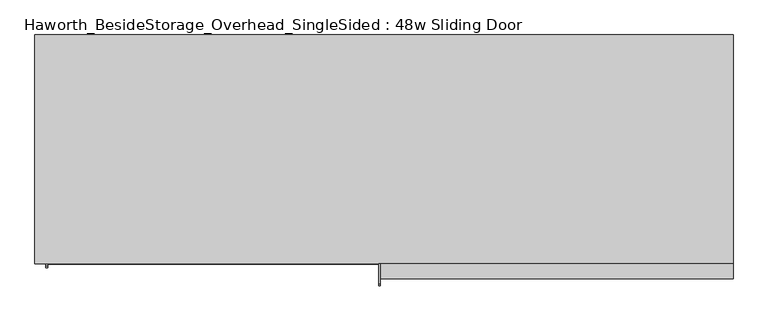
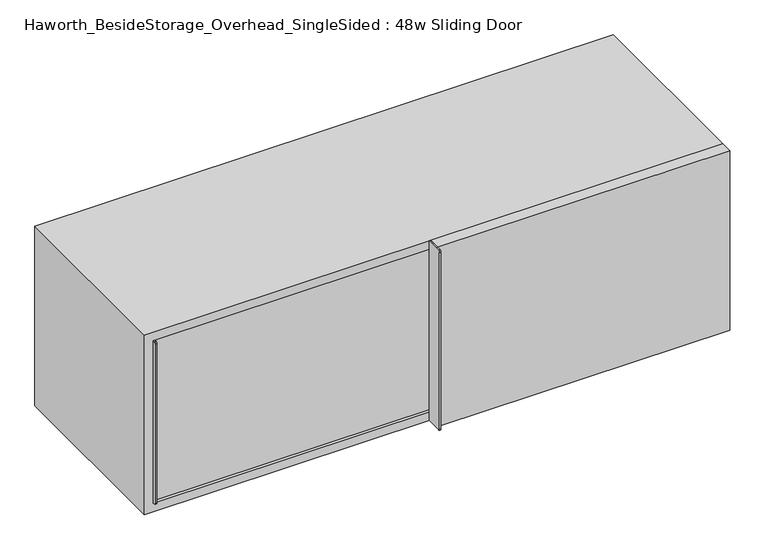
"""IFC4 building model written with IfcOpenShell, lengths in millimetres: furniture geometry, Haworth_BesideStorage_Overhead_SingleSided : 48w Sliding Door."""

from ifc_helpers import new_model, si_unit, point, frame, frame_2d, origin, place, context, project, spatial, polyline, circle_curve, trimmed, segment, composite_curve, outline, extrude, source, transform, mapped, element, save


def haworth_besidestorage_overhead_singlesided_48w_sliding_door_fb35720d(model_context):
    return source(origin(), model_context, "Body", "SweptSolid", [
        extrude(outline(composite_curve([segment(polyline([(-400.05, 1162.05), (-400.05, 762.0), (-434.975, 762.0)]), True, "CONTINUOUS"), segment(trimmed(circle_curve(frame_2d((-434.975, 765.175)), 3.175), [point((-434.975, 762.0))], [point((-438.15, 765.175))], False, "CARTESIAN"), True, "CONTINUOUS"), segment(polyline([(-438.15, 765.175), (-438.15, 1158.875)]), True, "CONTINUOUS"), segment(trimmed(circle_curve(frame_2d((-434.975, 1158.875)), 3.175), [point((-438.15, 1158.875))], [point((-434.975, 1162.05))], False, "CARTESIAN"), True, "CONTINUOUS"), segment(polyline([(-434.975, 1162.05), (-400.05, 1162.05)]), True, "CONTINUOUS")], self_intersect=False)), frame((155.575, 0.0, 0.0), z_axis=(1.0, 0.0, 0.0), x_axis=(0.0, 1.0, 0.0)), (0.0, 0.0, 1.0), 3.175),
        extrude(outline(polyline([(774.7, -400.05), (774.7, -425.45), (158.75, -425.45), (158.75, -400.05), (774.7, -400.05)])), frame((0.0, 0.0, 762.0), z_axis=(0.0, 0.0, 1.0), x_axis=(1.0, 0.0, 0.0)), (0.0, 0.0, 1.0), 400.05),
        extrude(outline(composite_curve([segment(polyline([(-368.3, 1143.0), (-368.3, 781.05), (-403.225, 781.05)]), True, "CONTINUOUS"), segment(trimmed(circle_curve(frame_2d((-403.225, 784.225)), 3.175), [point((-403.225, 781.05))], [point((-406.4, 784.225))], False, "CARTESIAN"), True, "CONTINUOUS"), segment(polyline([(-406.4, 784.225), (-406.4, 1139.825)]), True, "CONTINUOUS"), segment(trimmed(circle_curve(frame_2d((-403.225, 1139.825)), 3.175), [point((-406.4, 1139.825))], [point((-403.225, 1143.0))], False, "CARTESIAN"), True, "CONTINUOUS"), segment(polyline([(-403.225, 1143.0), (-368.3, 1143.0)]), True, "CONTINUOUS")], self_intersect=False)), frame((-425.45, 0.0, 0.0), z_axis=(1.0, 0.0, 0.0), x_axis=(0.0, 1.0, 0.0)), (0.0, 0.0, 1.0), 3.175),
        extrude(outline(polyline([(174.625, -368.3), (174.625, -393.7), (-422.275, -393.7), (-422.275, -368.3), (174.625, -368.3)])), frame((0.0, 0.0, 781.05), z_axis=(0.0, 0.0, 1.0), x_axis=(1.0, 0.0, 0.0)), (0.0, 0.0, 1.0), 361.95),
        extrude(outline(polyline([(174.625, -368.3), (155.575, -368.3), (155.575, -19.05), (174.625, -19.05), (174.625, -368.3)])), frame((0.0, 0.0, 781.05), z_axis=(0.0, 0.0, 1.0), x_axis=(1.0, 0.0, 0.0)), (0.0, 0.0, 1.0), 361.95),
        extrude(outline(polyline([(755.65, -19.05), (-425.45, -19.05), (-425.45, 0.0), (755.65, 0.0), (755.65, -19.05)])), frame((0.0, 0.0, 781.05), z_axis=(0.0, 0.0, 1.0), x_axis=(1.0, 0.0, 0.0)), (0.0, 0.0, 1.0), 361.95),
        extrude(outline(polyline([(762.0, 774.7), (1162.05, 774.7), (1162.05, -444.5), (762.0, -444.5), (762.0, 774.7)]), holes=[polyline([(1143.0, 755.65), (781.05, 755.65), (781.05, -425.45), (1143.0, -425.45), (1143.0, 755.65)])]), frame((0.0, -400.05, 0.0), z_axis=(0.0, 1.0, 0.0), x_axis=(0.0, 0.0, 1.0)), (0.0, 0.0, 1.0), 400.05),
    ])


if __name__ == "__main__":
    model = new_model("IFC4")
    model_context = context("Model", 3, world=origin())
    ifc_project = project(units=[si_unit("LENGTHUNIT", "METRE", prefix="MILLI")], contexts=[model_context])
    site = spatial("IfcSite", under=ifc_project)
    building = spatial("IfcBuilding", under=site)
    placement = place(None, origin())
    haworth_besidestorage_overhead_singlesided_48w_sliding_door_shape = haworth_besidestorage_overhead_singlesided_48w_sliding_door_fb35720d(model_context)
    element("IfcFurniture", 1, ObjectType="Haworth_BesideStorage_Overhead_SingleSided : 48w Sliding Door", at=placement, inside=building, context=model_context, shape_type="MappedRepresentation", body=[
        mapped(haworth_besidestorage_overhead_singlesided_48w_sliding_door_shape, transform((0.0, 0.0, 0.0), x_axis=(1.0, 0.0, 0.0), y_axis=(0.0, 1.0, 0.0), z_axis=(0.0, 0.0, 1.0))),
    ])
    save(model, "model.ifc")
